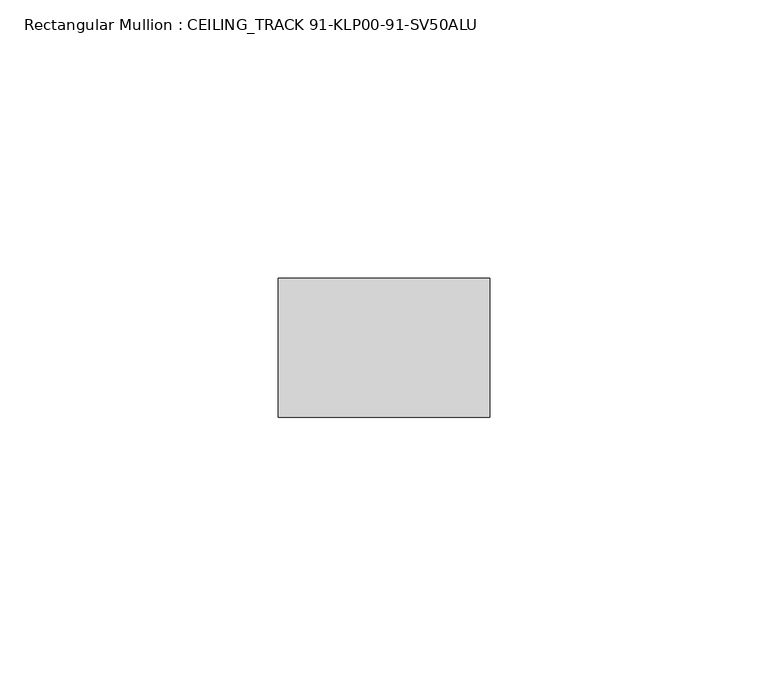
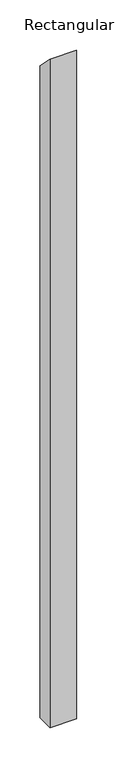
"""IFC4 building model written with IfcOpenShell, lengths in millimetres: member geometry, Rectangular Mullion : CEILING_TRACK 91-KLP00-91-SV50ALU."""

from ifc_helpers import new_model, si_unit, frame, origin, place, context, project, spatial, polyline, outline, extrude, source, transform, mapped, element, save


def rectangular_mullion_ceiling_track_91_klp00_91_sv50alu_06001b28(model_context):
    return source(origin(), model_context, "Body", "SweptSolid", [
        extrude(outline(polyline([(-12.5, 12.5), (12.5, -12.5), (12.5, -1000.0), (-12.5, -1000.0), (-12.5, 12.5)])), frame((-38.0, 0.0, 0.0), z_axis=(1.0, 0.0, 0.0), x_axis=(0.0, 1.0, 0.0)), (0.0, 0.0, 1.0), 38.0),
    ])


if __name__ == "__main__":
    model = new_model("IFC4")
    model_context = context("Model", 3, world=origin())
    ifc_project = project(units=[si_unit("LENGTHUNIT", "METRE", prefix="MILLI")], contexts=[model_context])
    site = spatial("IfcSite", under=ifc_project)
    building = spatial("IfcBuilding", under=site)
    placement = place(None, origin())
    rectangular_mullion_ceiling_track_91_klp00_91_sv50alu_shape = rectangular_mullion_ceiling_track_91_klp00_91_sv50alu_06001b28(model_context)
    element("IfcMember", 1, ObjectType="Rectangular Mullion : CEILING_TRACK 91-KLP00-91-SV50ALU", at=placement, inside=building, context=model_context, shape_type="MappedRepresentation", body=[
        mapped(rectangular_mullion_ceiling_track_91_klp00_91_sv50alu_shape, transform((0.0, 0.0, 0.0), x_axis=(1.0, 0.0, 0.0), y_axis=(0.0, 1.0, 0.0), z_axis=(0.0, 0.0, 1.0))),
    ])
    save(model, "model.ifc")
